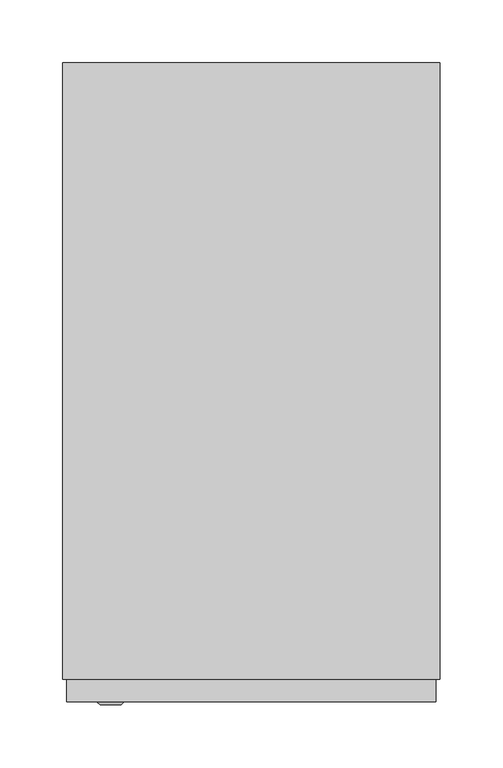
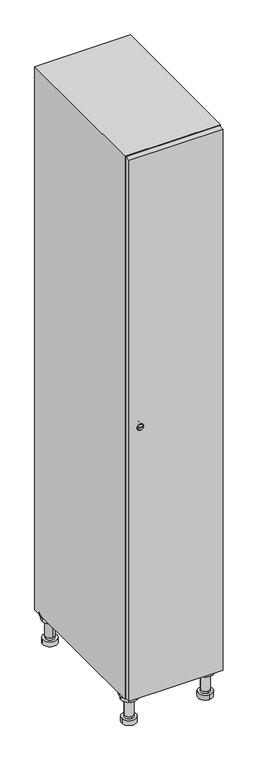
"""IFC4 building model written with IfcOpenShell, lengths in millimetres: furniture geometry."""

from ifc_helpers import new_model, si_unit, point, frame, frame_2d, origin, place, context, project, spatial, polyline, circle_curve, trimmed, segment, composite_curve, outline, extrude, faceted_brep, source, transform, mapped, element, save
from ifc_brep_helpers import plane_surface, cylinder_surface, revolved_surface, advanced_brep


def furniture_f5eb261b(model_context):
    return source(origin(), model_context, "Body", "SolidModel", [
        advanced_brep(
        [(70.0, -201.0, 22.0), (70.0, -201.5, 16.0), (70.0, -228.5, 16.0), (70.0, -229.0, 22.0), (56.0, -215.0, 22.0), (84.0, -215.0, 22.0), (70.0, -192.5, 16.0), (70.0, -237.5, 16.0), (70.0, -192.5, 0.0), (70.0, -237.5, 0.0), (84.0, -215.0, 78.0), (56.0, -215.0, 78.0), (95.0, -215.0, 78.0), (45.0, -215.0, 78.0), (100.0, -215.0, 94.0), (40.0, -215.0, 94.0), (45.0, -215.0, 94.0), (95.0, -215.0, 94.0), (100.0, -215.0, 100.0), (40.0, -215.0, 100.0)],
        [
            (0, 1),
            (1, 2, circle_curve(frame((70.0, -215.0, 16.0), z_axis=(0.0, 0.0, 1.0), x_axis=(0.0, -1.0, 0.0)), 13.5)),
            (2, 3),
            (3, 4, circle_curve(frame((70.0, -215.0, 22.0), z_axis=(0.0, 0.0, -1.0), x_axis=(0.0, -1.0, 0.0)), 14.0)),
            (4, 0, circle_curve(frame((70.0, -215.0, 22.0), z_axis=(0.0, 0.0, -1.0), x_axis=(0.0, -1.0, 0.0)), 14.0)),
            (0, 5, circle_curve(frame((70.0, -215.0, 22.0), z_axis=(0.0, 0.0, -1.0), x_axis=(0.0, 1.0, 0.0)), 14.0)),
            (5, 3, circle_curve(frame((70.0, -215.0, 22.0), z_axis=(0.0, 0.0, -1.0), x_axis=(0.0, 1.0, 0.0)), 14.0)),
            (2, 1, circle_curve(frame((70.0, -215.0, 16.0), z_axis=(0.0, 0.0, 1.0), x_axis=(0.0, 1.0, 0.0)), 13.5)),
            (6, 7, circle_curve(frame((70.0, -215.0, 16.0), z_axis=(0.0, 0.0, 1.0), x_axis=(0.0, -1.0, 0.0)), 22.5)),
            (7, 6, circle_curve(frame((70.0, -215.0, 16.0), z_axis=(0.0, 0.0, 1.0), x_axis=(0.0, -1.0, 0.0)), 22.5)),
            (8, 9, circle_curve(frame((70.0, -215.0, 0.0), z_axis=(0.0, 0.0, -1.0), x_axis=(0.0, -1.0, 0.0)), 22.5)),
            (9, 8, circle_curve(frame((70.0, -215.0, 0.0), z_axis=(0.0, 0.0, -1.0), x_axis=(0.0, -1.0, 0.0)), 22.5)),
            (6, 8),
            (9, 7),
            (5, 10),
            (10, 11, circle_curve(frame((70.0, -215.0, 78.0), z_axis=(0.0, 0.0, -1.0), x_axis=(-1.0, 0.0, 0.0)), 14.0)),
            (11, 4),
            (11, 10, circle_curve(frame((70.0, -215.0, 78.0), z_axis=(0.0, 0.0, -1.0), x_axis=(-1.0, 0.0, 0.0)), 14.0)),
            (12, 13, circle_curve(frame((70.0, -215.0, 78.0), z_axis=(0.0, 0.0, -1.0), x_axis=(-1.0, 0.0, 0.0)), 25.0)),
            (13, 12, circle_curve(frame((70.0, -215.0, 78.0), z_axis=(0.0, 0.0, -1.0), x_axis=(-1.0, 0.0, 0.0)), 25.0)),
            (14, 15, circle_curve(frame((70.0, -215.0, 94.0), z_axis=(0.0, 0.0, -1.0), x_axis=(-1.0, 0.0, 0.0)), 30.0)),
            (15, 14, circle_curve(frame((70.0, -215.0, 94.0), z_axis=(0.0, 0.0, -1.0), x_axis=(-1.0, 0.0, 0.0)), 30.0)),
            (16, 17, circle_curve(frame((70.0, -215.0, 94.0), z_axis=(0.0, 0.0, 1.0), x_axis=(-1.0, 0.0, 0.0)), 25.0)),
            (17, 16, circle_curve(frame((70.0, -215.0, 94.0), z_axis=(0.0, 0.0, 1.0), x_axis=(-1.0, 0.0, 0.0)), 25.0)),
            (18, 19, circle_curve(frame((70.0, -215.0, 100.0), z_axis=(0.0, 0.0, 1.0), x_axis=(-1.0, 0.0, 0.0)), 30.0)),
            (19, 18, circle_curve(frame((70.0, -215.0, 100.0), z_axis=(0.0, 0.0, 1.0), x_axis=(-1.0, 0.0, 0.0)), 30.0)),
            (14, 18),
            (19, 15),
            (12, 17),
            (16, 13),
        ],
        [
            revolved_surface(polyline([(70.0, -201.5, 16.0), (70.0, -201.0, 22.0)]), (70.0, -215.0, -146.0), (0.0, 0.0, 1.0)),
            plane_surface(frame((70.0, 0.0, 16.0), z_axis=(0.0, 0.0, 1.0), x_axis=(0.0, -1.0, 0.0))),
            plane_surface(frame((70.0, 0.0, 0.0), z_axis=(0.0, 0.0, -1.0), x_axis=(0.0, -1.0, 0.0))),
            cylinder_surface(frame((70.0, -215.0, 16.0), z_axis=(0.0, 0.0, 1.0), x_axis=(0.0, -1.0, 0.0)), 22.5),
            cylinder_surface(frame((70.0, -215.0, 22.0), z_axis=(0.0, 0.0, -1.0), x_axis=(-1.0, 0.0, 0.0)), 14.0),
            plane_surface(frame((70.0, 0.0, 78.0), z_axis=(0.0, 0.0, -1.0), x_axis=(0.0, -1.0, 0.0))),
            plane_surface(frame((70.0, 0.0, 94.0), z_axis=(0.0, 0.0, -1.0), x_axis=(0.0, -1.0, 0.0))),
            plane_surface(frame((70.0, 0.0, 100.0), z_axis=(0.0, 0.0, 1.0), x_axis=(0.0, -1.0, 0.0))),
            cylinder_surface(frame((70.0, -215.0, 94.0), z_axis=(0.0, 0.0, -1.0), x_axis=(-1.0, 0.0, 0.0)), 30.0),
            cylinder_surface(frame((70.0, -215.0, 78.0), z_axis=(0.0, 0.0, -1.0), x_axis=(-1.0, 0.0, 0.0)), 25.0),
        ],
        [
            (0, [[1, 2, 3, 4, 5]]),
            (0, [[-1, 6, 7, -3, 8]]),
            (1, [[9, 10], [-2, -8]]),
            (2, [[11, 12]]),
            (3, [[-9, 13, -12, 14]]),
            (3, [[-10, -14, -11, -13]]),
            (4, [[15, 16, 17, -4, -7]]),
            (4, [[-15, -6, -5, -17, 18]]),
            (5, [[19, 20], [-16, -18]]),
            (6, [[21, 22], [23, 24]]),
            (7, [[25, 26]]),
            (8, [[-21, 27, -26, 28]]),
            (8, [[-22, -28, -25, -27]]),
            (9, [[-19, 29, -23, 30]]),
            (9, [[-20, -30, -24, -29]]),
        ],
    ),
        advanced_brep(
        [(-170.0, -201.0, 22.0), (-170.0, -201.5, 16.0), (-170.0, -228.5, 16.0), (-170.0, -229.0, 22.0), (-184.0, -215.0, 22.0), (-156.0, -215.0, 22.0), (-147.5, -215.0, 0.0), (-192.5, -215.0, 0.0), (-147.5, -215.0, 16.0), (-192.5, -215.0, 16.0), (-156.0, -215.0, 78.0), (-184.0, -215.0, 78.0), (-145.0, -215.0, 78.0), (-195.0, -215.0, 78.0), (-140.0, -215.0, 94.0), (-200.0, -215.0, 94.0), (-195.0, -215.0, 94.0), (-145.0, -215.0, 94.0), (-140.0, -215.0, 100.0), (-200.0, -215.0, 100.0)],
        [
            (0, 1),
            (1, 2, circle_curve(frame((-170.0, -215.0, 16.0), z_axis=(0.0, 0.0, 1.0), x_axis=(0.0, -1.0, 0.0)), 13.5)),
            (2, 3),
            (3, 4, circle_curve(frame((-170.0, -215.0, 22.0), z_axis=(0.0, 0.0, -1.0), x_axis=(0.0, -1.0, 0.0)), 14.0)),
            (4, 0, circle_curve(frame((-170.0, -215.0, 22.0), z_axis=(0.0, 0.0, -1.0), x_axis=(0.0, -1.0, 0.0)), 14.0)),
            (0, 5, circle_curve(frame((-170.0, -215.0, 22.0), z_axis=(0.0, 0.0, -1.0), x_axis=(0.0, 1.0, 0.0)), 14.0)),
            (5, 3, circle_curve(frame((-170.0, -215.0, 22.0), z_axis=(0.0, 0.0, -1.0), x_axis=(0.0, 1.0, 0.0)), 14.0)),
            (2, 1, circle_curve(frame((-170.0, -215.0, 16.0), z_axis=(0.0, 0.0, 1.0), x_axis=(0.0, 1.0, 0.0)), 13.5)),
            (6, 7, circle_curve(frame((-170.0, -215.0, 0.0), z_axis=(0.0, 0.0, -1.0), x_axis=(-1.0, 0.0, 0.0)), 22.5)),
            (7, 6, circle_curve(frame((-170.0, -215.0, 0.0), z_axis=(0.0, 0.0, -1.0), x_axis=(-1.0, 0.0, 0.0)), 22.5)),
            (8, 9, circle_curve(frame((-170.0, -215.0, 16.0), z_axis=(0.0, 0.0, 1.0), x_axis=(-1.0, 0.0, 0.0)), 22.5)),
            (9, 8, circle_curve(frame((-170.0, -215.0, 16.0), z_axis=(0.0, 0.0, 1.0), x_axis=(-1.0, 0.0, 0.0)), 22.5)),
            (6, 8),
            (9, 7),
            (5, 10),
            (10, 11, circle_curve(frame((-170.0, -215.0, 78.0), z_axis=(0.0, 0.0, -1.0), x_axis=(-1.0, 0.0, 0.0)), 14.0)),
            (11, 4),
            (11, 10, circle_curve(frame((-170.0, -215.0, 78.0), z_axis=(0.0, 0.0, -1.0), x_axis=(-1.0, 0.0, 0.0)), 14.0)),
            (12, 13, circle_curve(frame((-170.0, -215.0, 78.0), z_axis=(0.0, 0.0, -1.0), x_axis=(-1.0, 0.0, 0.0)), 25.0)),
            (13, 12, circle_curve(frame((-170.0, -215.0, 78.0), z_axis=(0.0, 0.0, -1.0), x_axis=(-1.0, 0.0, 0.0)), 25.0)),
            (14, 15, circle_curve(frame((-170.0, -215.0, 94.0), z_axis=(0.0, 0.0, -1.0), x_axis=(-1.0, 0.0, 0.0)), 30.0)),
            (15, 14, circle_curve(frame((-170.0, -215.0, 94.0), z_axis=(0.0, 0.0, -1.0), x_axis=(-1.0, 0.0, 0.0)), 30.0)),
            (16, 17, circle_curve(frame((-170.0, -215.0, 94.0), z_axis=(0.0, 0.0, 1.0), x_axis=(-1.0, 0.0, 0.0)), 25.0)),
            (17, 16, circle_curve(frame((-170.0, -215.0, 94.0), z_axis=(0.0, 0.0, 1.0), x_axis=(-1.0, 0.0, 0.0)), 25.0)),
            (18, 19, circle_curve(frame((-170.0, -215.0, 100.0), z_axis=(0.0, 0.0, 1.0), x_axis=(-1.0, 0.0, 0.0)), 30.0)),
            (19, 18, circle_curve(frame((-170.0, -215.0, 100.0), z_axis=(0.0, 0.0, 1.0), x_axis=(-1.0, 0.0, 0.0)), 30.0)),
            (14, 18),
            (19, 15),
            (12, 17),
            (16, 13),
        ],
        [
            revolved_surface(polyline([(-170.0, -201.5, 16.0), (-170.0, -201.0, 22.0)]), (-170.0, -215.0, -146.0), (0.0, 0.0, 1.0)),
            plane_surface(frame((-170.0, 0.0, 0.0), z_axis=(0.0, 0.0, -1.0), x_axis=(0.0, -1.0, 0.0))),
            plane_surface(frame((-170.0, 0.0, 16.0), z_axis=(0.0, 0.0, 1.0), x_axis=(0.0, -1.0, 0.0))),
            cylinder_surface(frame((-170.0, -215.0, 0.0), z_axis=(0.0, 0.0, -1.0), x_axis=(-1.0, 0.0, 0.0)), 22.5),
            cylinder_surface(frame((-170.0, -215.0, 22.0), z_axis=(0.0, 0.0, -1.0), x_axis=(-1.0, 0.0, 0.0)), 14.0),
            plane_surface(frame((-170.0, 0.0, 78.0), z_axis=(0.0, 0.0, -1.0), x_axis=(0.0, -1.0, 0.0))),
            plane_surface(frame((-170.0, 0.0, 94.0), z_axis=(0.0, 0.0, -1.0), x_axis=(0.0, -1.0, 0.0))),
            plane_surface(frame((-170.0, 0.0, 100.0), z_axis=(0.0, 0.0, 1.0), x_axis=(0.0, -1.0, 0.0))),
            cylinder_surface(frame((-170.0, -215.0, 94.0), z_axis=(0.0, 0.0, -1.0), x_axis=(-1.0, 0.0, 0.0)), 30.0),
            cylinder_surface(frame((-170.0, -215.0, 78.0), z_axis=(0.0, 0.0, -1.0), x_axis=(-1.0, 0.0, 0.0)), 25.0),
        ],
        [
            (0, [[1, 2, 3, 4, 5]]),
            (0, [[-1, 6, 7, -3, 8]]),
            (1, [[9, 10]]),
            (2, [[11, 12], [-2, -8]]),
            (3, [[-9, 13, -12, 14]]),
            (3, [[-10, -14, -11, -13]]),
            (4, [[15, 16, 17, -4, -7]]),
            (4, [[-15, -6, -5, -17, 18]]),
            (5, [[19, 20], [-16, -18]]),
            (6, [[21, 22], [23, 24]]),
            (7, [[25, 26]]),
            (8, [[-21, 27, -26, 28]]),
            (8, [[-22, -28, -25, -27]]),
            (9, [[-19, 29, -23, 30]]),
            (9, [[-20, -30, -24, -29]]),
        ],
    ),
        advanced_brep(
        [(83.5, 215.0, 16.0), (84.0, 215.0, 22.0), (56.0, 215.0, 22.0), (56.5, 215.0, 16.0), (92.5, 215.0, 0.0), (47.5, 215.0, 0.0), (92.5, 215.0, 16.0), (47.5, 215.0, 16.0), (84.0, 215.0, 78.0), (56.0, 215.0, 78.0), (95.0, 215.0, 78.0), (45.0, 215.0, 78.0), (100.0, 215.0, 94.0), (40.0, 215.0, 94.0), (45.0, 215.0, 94.0), (95.0, 215.0, 94.0), (100.0, 215.0, 100.0), (40.0, 215.0, 100.0)],
        [
            (0, 1),
            (1, 2, circle_curve(frame((70.0, 215.0, 22.0), z_axis=(0.0, 0.0, -1.0), x_axis=(-1.0, 0.0, 0.0)), 14.0)),
            (2, 3),
            (3, 0, circle_curve(frame((70.0, 215.0, 16.0), z_axis=(0.0, 0.0, 1.0), x_axis=(-1.0, 0.0, 0.0)), 13.5)),
            (0, 3, circle_curve(frame((70.0, 215.0, 16.0), z_axis=(0.0, 0.0, 1.0), x_axis=(1.0, 0.0, 0.0)), 13.5)),
            (2, 1, circle_curve(frame((70.0, 215.0, 22.0), z_axis=(0.0, 0.0, -1.0), x_axis=(1.0, 0.0, 0.0)), 14.0)),
            (4, 5, circle_curve(frame((70.0, 215.0, 0.0), z_axis=(0.0, 0.0, -1.0), x_axis=(-1.0, 0.0, 0.0)), 22.5)),
            (5, 4, circle_curve(frame((70.0, 215.0, 0.0), z_axis=(0.0, 0.0, -1.0), x_axis=(-1.0, 0.0, 0.0)), 22.5)),
            (6, 7, circle_curve(frame((70.0, 215.0, 16.0), z_axis=(0.0, 0.0, 1.0), x_axis=(-1.0, 0.0, 0.0)), 22.5)),
            (7, 6, circle_curve(frame((70.0, 215.0, 16.0), z_axis=(0.0, 0.0, 1.0), x_axis=(-1.0, 0.0, 0.0)), 22.5)),
            (4, 6),
            (7, 5),
            (1, 8),
            (8, 9, circle_curve(frame((70.0, 215.0, 78.0), z_axis=(0.0, 0.0, -1.0), x_axis=(-1.0, 0.0, 0.0)), 14.0)),
            (9, 2),
            (9, 8, circle_curve(frame((70.0, 215.0, 78.0), z_axis=(0.0, 0.0, -1.0), x_axis=(-1.0, 0.0, 0.0)), 14.0)),
            (10, 11, circle_curve(frame((70.0, 215.0, 78.0), z_axis=(0.0, 0.0, -1.0), x_axis=(-1.0, 0.0, 0.0)), 25.0)),
            (11, 10, circle_curve(frame((70.0, 215.0, 78.0), z_axis=(0.0, 0.0, -1.0), x_axis=(-1.0, 0.0, 0.0)), 25.0)),
            (12, 13, circle_curve(frame((70.0, 215.0, 94.0), z_axis=(0.0, 0.0, -1.0), x_axis=(-1.0, 0.0, 0.0)), 30.0)),
            (13, 12, circle_curve(frame((70.0, 215.0, 94.0), z_axis=(0.0, 0.0, -1.0), x_axis=(-1.0, 0.0, 0.0)), 30.0)),
            (14, 15, circle_curve(frame((70.0, 215.0, 94.0), z_axis=(0.0, 0.0, 1.0), x_axis=(-1.0, 0.0, 0.0)), 25.0)),
            (15, 14, circle_curve(frame((70.0, 215.0, 94.0), z_axis=(0.0, 0.0, 1.0), x_axis=(-1.0, 0.0, 0.0)), 25.0)),
            (16, 17, circle_curve(frame((70.0, 215.0, 100.0), z_axis=(0.0, 0.0, 1.0), x_axis=(-1.0, 0.0, 0.0)), 30.0)),
            (17, 16, circle_curve(frame((70.0, 215.0, 100.0), z_axis=(0.0, 0.0, 1.0), x_axis=(-1.0, 0.0, 0.0)), 30.0)),
            (12, 16),
            (17, 13),
            (10, 15),
            (14, 11),
        ],
        [
            revolved_surface(polyline([(83.5, 215.0, 16.0), (84.0, 215.0, 22.0)]), (70.0, 215.0, -146.0), (0.0, 0.0, 1.0)),
            plane_surface(frame((70.0, 0.0, 0.0), z_axis=(0.0, 0.0, -1.0), x_axis=(0.0, -1.0, 0.0))),
            plane_surface(frame((70.0, 0.0, 16.0), z_axis=(0.0, 0.0, 1.0), x_axis=(0.0, -1.0, 0.0))),
            cylinder_surface(frame((70.0, 215.0, 0.0), z_axis=(0.0, 0.0, -1.0), x_axis=(-1.0, 0.0, 0.0)), 22.5),
            cylinder_surface(frame((70.0, 215.0, 22.0), z_axis=(0.0, 0.0, -1.0), x_axis=(-1.0, 0.0, 0.0)), 14.0),
            plane_surface(frame((70.0, 0.0, 78.0), z_axis=(0.0, 0.0, -1.0), x_axis=(0.0, -1.0, 0.0))),
            plane_surface(frame((70.0, 0.0, 94.0), z_axis=(0.0, 0.0, -1.0), x_axis=(0.0, -1.0, 0.0))),
            plane_surface(frame((70.0, 0.0, 100.0), z_axis=(0.0, 0.0, 1.0), x_axis=(0.0, -1.0, 0.0))),
            cylinder_surface(frame((70.0, 215.0, 94.0), z_axis=(0.0, 0.0, -1.0), x_axis=(-1.0, 0.0, 0.0)), 30.0),
            cylinder_surface(frame((70.0, 215.0, 78.0), z_axis=(0.0, 0.0, -1.0), x_axis=(-1.0, 0.0, 0.0)), 25.0),
        ],
        [
            (0, [[1, 2, 3, 4]]),
            (0, [[-1, 5, -3, 6]]),
            (1, [[7, 8]]),
            (2, [[9, 10], [-4, -5]]),
            (3, [[-7, 11, -10, 12]]),
            (3, [[-8, -12, -9, -11]]),
            (4, [[13, 14, 15, -2]]),
            (4, [[-13, -6, -15, 16]]),
            (5, [[17, 18], [-14, -16]]),
            (6, [[19, 20], [21, 22]]),
            (7, [[23, 24]]),
            (8, [[-19, 25, -24, 26]]),
            (8, [[-20, -26, -23, -25]]),
            (9, [[-17, 27, -21, 28]]),
            (9, [[-18, -28, -22, -27]]),
        ],
    ),
        advanced_brep(
        [(-156.5, 215.0, 16.0), (-156.0, 215.0, 22.0), (-170.0, 201.0, 22.0), (-184.0, 215.0, 22.0), (-183.5, 215.0, 16.0), (-170.0, 229.0, 22.0), (-147.5, 215.0, 0.0), (-192.5, 215.0, 0.0), (-147.5, 215.0, 16.0), (-192.5, 215.0, 16.0), (-170.0, 229.0, 78.0), (-170.0, 201.0, 78.0), (-145.0, 215.0, 78.0), (-195.0, 215.0, 78.0), (-140.0, 215.0, 94.0), (-200.0, 215.0, 94.0), (-195.0, 215.0, 94.0), (-145.0, 215.0, 94.0), (-140.0, 215.0, 100.0), (-200.0, 215.0, 100.0)],
        [
            (0, 1),
            (1, 2, circle_curve(frame((-170.0, 215.0, 22.0), z_axis=(0.0, 0.0, -1.0), x_axis=(-1.0, 0.0, 0.0)), 14.0)),
            (2, 3, circle_curve(frame((-170.0, 215.0, 22.0), z_axis=(0.0, 0.0, -1.0), x_axis=(-1.0, 0.0, 0.0)), 14.0)),
            (3, 4),
            (4, 0, circle_curve(frame((-170.0, 215.0, 16.0), z_axis=(0.0, 0.0, 1.0), x_axis=(-1.0, 0.0, 0.0)), 13.5)),
            (0, 4, circle_curve(frame((-170.0, 215.0, 16.0), z_axis=(0.0, 0.0, 1.0), x_axis=(1.0, 0.0, 0.0)), 13.5)),
            (3, 5, circle_curve(frame((-170.0, 215.0, 22.0), z_axis=(0.0, 0.0, -1.0), x_axis=(1.0, 0.0, 0.0)), 14.0)),
            (5, 1, circle_curve(frame((-170.0, 215.0, 22.0), z_axis=(0.0, 0.0, -1.0), x_axis=(1.0, 0.0, 0.0)), 14.0)),
            (6, 7, circle_curve(frame((-170.0, 215.0, 0.0), z_axis=(0.0, 0.0, -1.0), x_axis=(-1.0, 0.0, 0.0)), 22.5)),
            (7, 6, circle_curve(frame((-170.0, 215.0, 0.0), z_axis=(0.0, 0.0, -1.0), x_axis=(-1.0, 0.0, 0.0)), 22.5)),
            (8, 9, circle_curve(frame((-170.0, 215.0, 16.0), z_axis=(0.0, 0.0, 1.0), x_axis=(-1.0, 0.0, 0.0)), 22.5)),
            (9, 8, circle_curve(frame((-170.0, 215.0, 16.0), z_axis=(0.0, 0.0, 1.0), x_axis=(-1.0, 0.0, 0.0)), 22.5)),
            (6, 8),
            (9, 7),
            (10, 5),
            (2, 11),
            (11, 10, circle_curve(frame((-170.0, 215.0, 78.0), z_axis=(0.0, 0.0, -1.0), x_axis=(0.0, -1.0, 0.0)), 14.0)),
            (10, 11, circle_curve(frame((-170.0, 215.0, 78.0), z_axis=(0.0, 0.0, -1.0), x_axis=(0.0, -1.0, 0.0)), 14.0)),
            (12, 13, circle_curve(frame((-170.0, 215.0, 78.0), z_axis=(0.0, 0.0, -1.0), x_axis=(-1.0, 0.0, 0.0)), 25.0)),
            (13, 12, circle_curve(frame((-170.0, 215.0, 78.0), z_axis=(0.0, 0.0, -1.0), x_axis=(-1.0, 0.0, 0.0)), 25.0)),
            (14, 15, circle_curve(frame((-170.0, 215.0, 94.0), z_axis=(0.0, 0.0, -1.0), x_axis=(-1.0, 0.0, 0.0)), 30.0)),
            (15, 14, circle_curve(frame((-170.0, 215.0, 94.0), z_axis=(0.0, 0.0, -1.0), x_axis=(-1.0, 0.0, 0.0)), 30.0)),
            (16, 17, circle_curve(frame((-170.0, 215.0, 94.0), z_axis=(0.0, 0.0, 1.0), x_axis=(-1.0, 0.0, 0.0)), 25.0)),
            (17, 16, circle_curve(frame((-170.0, 215.0, 94.0), z_axis=(0.0, 0.0, 1.0), x_axis=(-1.0, 0.0, 0.0)), 25.0)),
            (18, 19, circle_curve(frame((-170.0, 215.0, 100.0), z_axis=(0.0, 0.0, 1.0), x_axis=(-1.0, 0.0, 0.0)), 30.0)),
            (19, 18, circle_curve(frame((-170.0, 215.0, 100.0), z_axis=(0.0, 0.0, 1.0), x_axis=(-1.0, 0.0, 0.0)), 30.0)),
            (14, 18),
            (19, 15),
            (12, 17),
            (16, 13),
        ],
        [
            revolved_surface(polyline([(-156.5, 215.0, 16.0), (-156.0, 215.0, 22.0)]), (-170.0, 215.0, -146.0), (0.0, 0.0, 1.0)),
            plane_surface(frame((-170.0, 0.0, 0.0), z_axis=(0.0, 0.0, -1.0), x_axis=(0.0, -1.0, 0.0))),
            plane_surface(frame((-170.0, 0.0, 16.0), z_axis=(0.0, 0.0, 1.0), x_axis=(0.0, -1.0, 0.0))),
            cylinder_surface(frame((-170.0, 215.0, 0.0), z_axis=(0.0, 0.0, -1.0), x_axis=(-1.0, 0.0, 0.0)), 22.5),
            cylinder_surface(frame((-170.0, 215.0, 78.0), z_axis=(0.0, 0.0, 1.0), x_axis=(0.0, -1.0, 0.0)), 14.0),
            plane_surface(frame((-170.0, 0.0, 78.0), z_axis=(0.0, 0.0, -1.0), x_axis=(0.0, -1.0, 0.0))),
            plane_surface(frame((-170.0, 0.0, 94.0), z_axis=(0.0, 0.0, -1.0), x_axis=(0.0, -1.0, 0.0))),
            plane_surface(frame((-170.0, 0.0, 100.0), z_axis=(0.0, 0.0, 1.0), x_axis=(0.0, -1.0, 0.0))),
            cylinder_surface(frame((-170.0, 215.0, 94.0), z_axis=(0.0, 0.0, -1.0), x_axis=(-1.0, 0.0, 0.0)), 30.0),
            cylinder_surface(frame((-170.0, 215.0, 78.0), z_axis=(0.0, 0.0, -1.0), x_axis=(-1.0, 0.0, 0.0)), 25.0),
        ],
        [
            (0, [[1, 2, 3, 4, 5]]),
            (0, [[-1, 6, -4, 7, 8]]),
            (1, [[9, 10]]),
            (2, [[11, 12], [-5, -6]]),
            (3, [[-9, 13, -12, 14]]),
            (3, [[-10, -14, -11, -13]]),
            (4, [[15, -7, -3, 16, 17]]),
            (4, [[-15, 18, -16, -2, -8]]),
            (5, [[19, 20], [-17, -18]]),
            (6, [[21, 22], [23, 24]]),
            (7, [[25, 26]]),
            (8, [[-21, 27, -26, 28]]),
            (8, [[-22, -28, -25, -27]]),
            (9, [[-19, 29, -23, 30]]),
            (9, [[-20, -30, -24, -29]]),
        ],
    ),
        extrude(outline(composite_curve([segment(trimmed(circle_curve(frame_2d((1000.0, -188.7989466)), 7.0), [point((1007.0, -188.7989466))], [point((993.0, -188.7989466))], False, "CARTESIAN"), True, "CONTINUOUS"), segment(polyline([(993.0, -188.7989466), (993.0, -160.7989466)]), True, "CONTINUOUS"), segment(trimmed(circle_curve(frame_2d((1000.0, -160.7989466)), 7.0), [point((993.0, -160.7989466))], [point((1007.0, -160.7989466))], False, "CARTESIAN"), True, "CONTINUOUS"), segment(polyline([(1007.0, -160.7989466), (1007.0, -188.7989466)]), True, "CONTINUOUS")], self_intersect=False)), frame((0.0, -245.0, 0.0), z_axis=(0.0, 1.0, 0.0), x_axis=(0.0, 0.0, 1.0)), (0.0, 0.0, 1.0), 2.0),
        advanced_brep(
        [(-153.5, -265.2, 1000.0), (-170.5, -265.2, 1000.0), (-167.0, -265.2, 998.75), (-167.0, -265.2, 1001.25), (-157.0, -265.2, 1001.25), (-157.0, -265.2, 998.75), (-151.5, -263.0, 1000.0), (-172.5, -263.0, 1000.0), (-167.0, -263.0, 1001.25), (-167.0, -263.0, 998.75), (-157.0, -263.0, 998.75), (-157.0, -263.0, 1001.25)],
        [
            (0, 1, circle_curve(frame((-162.0, -265.2, 1000.0), z_axis=(0.0, -1.0, 0.0), x_axis=(1.0, 0.0, 0.0)), 8.5)),
            (1, 0, circle_curve(frame((-162.0, -265.2, 1000.0), z_axis=(0.0, -1.0, 0.0), x_axis=(-1.0, 0.0, 0.0)), 8.5)),
            (2, 3),
            (3, 4),
            (4, 5),
            (5, 2),
            (6, 7, circle_curve(frame((-162.0, -263.0, 1000.0), z_axis=(0.0, 1.0, 0.0), x_axis=(-1.0, 0.0, 0.0)), 10.5)),
            (7, 6, circle_curve(frame((-162.0, -263.0, 1000.0), z_axis=(0.0, 1.0, 0.0), x_axis=(1.0, 0.0, 0.0)), 10.5)),
            (8, 9),
            (9, 10),
            (10, 11),
            (11, 8),
            (0, 6),
            (7, 1),
            (8, 3),
            (2, 9),
            (11, 4),
            (10, 5),
        ],
        [
            plane_surface(frame((-162.0, -265.2, 1000.0), z_axis=(0.0, -1.0, 0.0), x_axis=(0.0, 0.0, 1.0))),
            plane_surface(frame((-162.0, -263.0, 1000.0), z_axis=(0.0, 1.0, 0.0), x_axis=(0.0, 0.0, 1.0))),
            revolved_surface(polyline([(-153.5, -265.2, 1000.0), (-151.5, -263.0, 1000.0)]), (-162.0, -274.55, 1000.0), (0.0, 1.0, 0.0)),
            revolved_surface(polyline([(-170.5, -265.2, 1000.0), (-172.5, -263.0, 1000.0)]), (-162.0, -274.55, 1000.0), (0.0, 1.0, 0.0)),
            plane_surface(frame((-167.0, -263.0, 998.75), z_axis=(1.0, 0.0, 0.0), x_axis=(0.0, -1.0, 0.0))),
            plane_surface(frame((-167.0, -263.0, 1001.25), z_axis=(0.0, 0.0, -1.0), x_axis=(0.0, -1.0, 0.0))),
            plane_surface(frame((-157.0, -263.0, 1001.25), z_axis=(-1.0, 0.0, 0.0), x_axis=(0.0, -1.0, 0.0))),
            plane_surface(frame((-157.0, -263.0, 998.75), z_axis=(0.0, 0.0, 1.0), x_axis=(0.0, -1.0, 0.0))),
        ],
        [
            (0, [[1, 2], [3, 4, 5, 6]]),
            (1, [[7, 8], [9, 10, 11, 12]]),
            (2, [[-1, 13, -8, 14]]),
            (3, [[-2, -14, -7, -13]]),
            (4, [[15, -3, 16, -9]]),
            (5, [[-15, -12, 17, -4]]),
            (6, [[-17, -11, 18, -5]]),
            (7, [[-16, -6, -18, -10]]),
        ],
    ),
        extrude(outline(polyline([(97.0, -245.0), (97.0, -263.0), (-197.0, -263.0), (-197.0, -245.0), (97.0, -245.0)])), frame((0.0, 0.0, 103.0), z_axis=(0.0, 0.0, 1.0), x_axis=(1.0, 0.0, 0.0)), (0.0, 0.0, 1.0), 1794.0),
        faceted_brep([(100.0, -245.0, 100.0), (100.0, -245.0, 1900.0), (-200.0, -245.0, 1900.0), (-200.0, -245.0, 100.0), (82.0, -245.0, 1882.0), (82.0, -245.0, 118.0), (-182.0, -245.0, 118.0), (-182.0, -245.0, 1882.0), (100.0, 245.0, 100.0), (-200.0, 245.0, 100.0), (100.0, 245.0, 1900.0), (-200.0, 245.0, 1900.0), (82.0, 227.0, 1882.0), (82.0, 227.0, 118.0), (-200.0, 245.0, 1882.0), (-182.0, 227.0, 1882.0), (-182.0, 227.0, 118.0)], [[[0, 1, 2, 3], [4, 5, 6, 7]], [[8, 0, 3, 9]], [[1, 0, 8, 10]], [[1, 10, 11, 2]], [[4, 12, 13, 5]], [[9, 3, 2, 11, 14]], [[10, 8, 9, 14, 11]], [[12, 15, 16, 13]], [[15, 7, 6, 16]], [[4, 7, 15, 12]], [[6, 5, 13, 16]]]),
    ])


if __name__ == "__main__":
    model = new_model("IFC4")
    model_context = context("Model", 3, world=origin())
    ifc_project = project(units=[si_unit("LENGTHUNIT", "METRE", prefix="MILLI")], contexts=[model_context])
    site = spatial("IfcSite", under=ifc_project)
    building = spatial("IfcBuilding", under=site)
    placement = place(None, origin())
    furniture_shape = furniture_f5eb261b(model_context)
    element("IfcFurniture", 1, at=placement, inside=building, context=model_context, shape_type="MappedRepresentation", body=[
        mapped(furniture_shape, transform((0.0, 0.0, 0.0), x_axis=(1.0, 0.0, 0.0), y_axis=(0.0, 1.0, 0.0), z_axis=(0.0, 0.0, 1.0))),
    ])
    save(model, "model.ifc")
